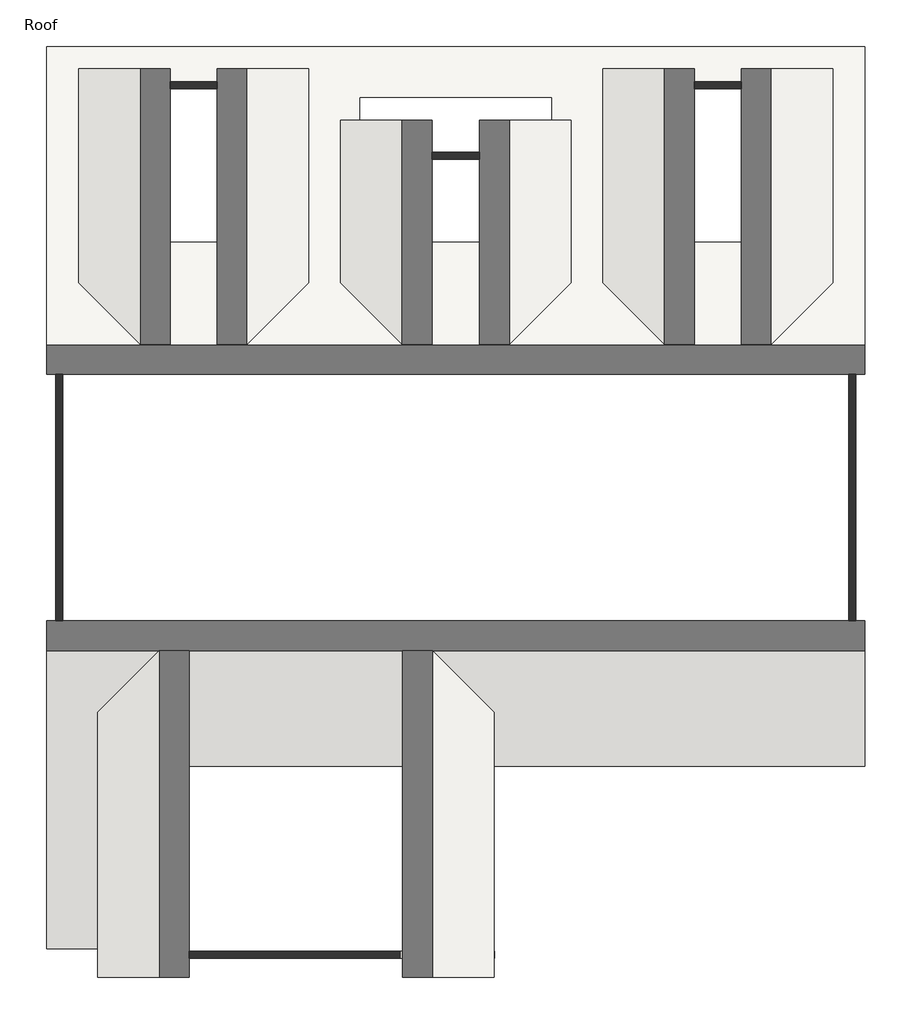
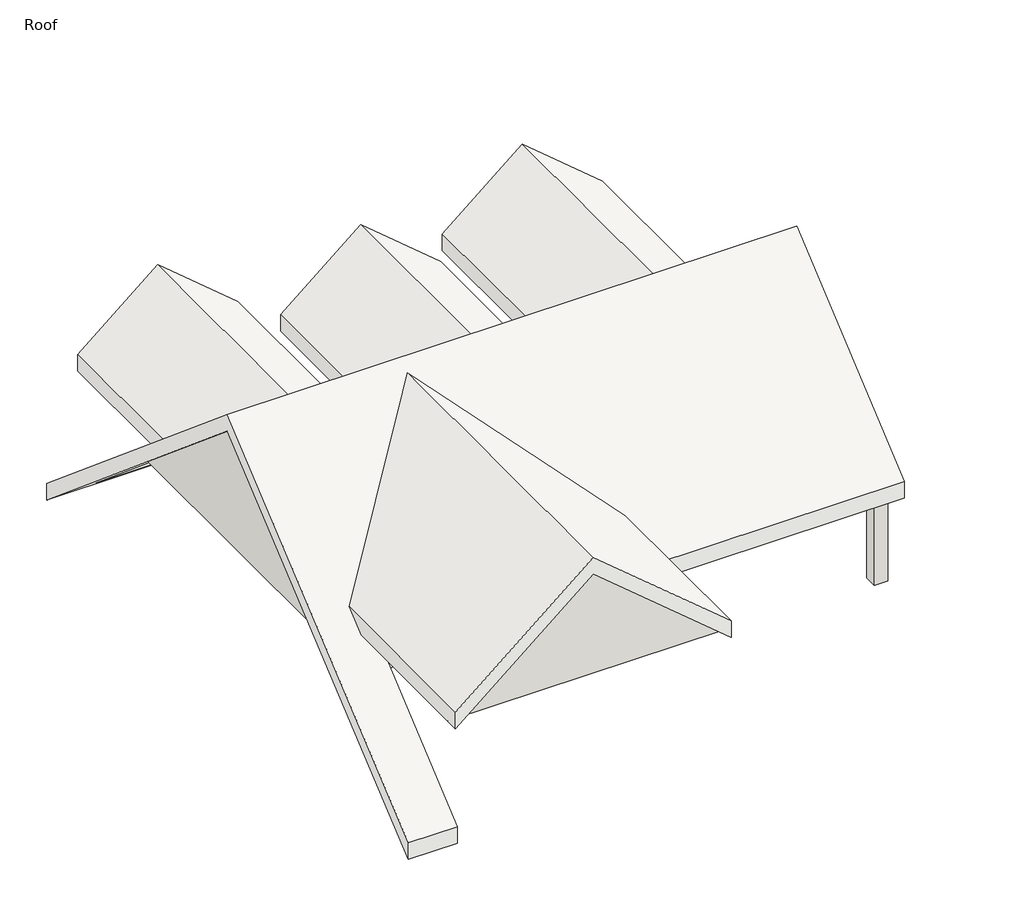
# One storey: 7 walls, 5 roofs.
"""IFC4 building model written with IfcOpenShell, lengths in millimetres."""

from ifc_helpers import new_model, si_unit, frame, origin, place, context, project, spatial, polyline, outline, extrude, faceted_brep, element, save

model = new_model("IFC4")

# Units and contexts
model_context = context("Model", 3, world=origin())
ifc_project = project(units=[si_unit("LENGTHUNIT", "METRE", prefix="MILLI")], contexts=[model_context])

# Site, building, storey
site = spatial("IfcSite", under=ifc_project)
building = spatial("IfcBuilding", under=site)
storey = spatial("IfcBuildingStorey", under=building, Name="Roof", Elevation=5700.0)

# Roofs
placement = place(None, origin())
element("IfcRoof", 1, ObjectType="Roof 1", at=placement, inside=storey, context=model_context, shape_type="Brep", body=[
    faceted_brep([(16700.0, 5300.0, 4991.4339489), (28400.0, 5300.0, 4991.4339489), (28400.0, 5300.0, 5383.0561357), (16700.0, 5300.0, 5383.0561357), (16700.0, 2450.0, 2600.0), (16700.0, 2450.0, 2991.6221868), (28400.0, 9500.0, 8515.6523998), (15600.0, 2450.0, 2600.0), (15600.0, 9500.0, 8515.6523998), (28145.0, 9500.0, 8515.6523998), (28255.0, 9500.0, 8515.6523998), (15600.0, 16550.0, 2600.0), (28400.0, 16550.0, 2600.0), (19400.0, 13500.0, 5159.2538751), (19400.0, 16000.0000378, 3061.5047654), (16399.9999932, 16000.0000378, 3061.5047654), (16399.9999932, 13500.0, 5159.2538751), (20499.9999966, 13500.0, 5159.2538751), (23499.9999966, 13500.0, 5159.2538751), (23499.9999966, 15750.0, 3271.2797049), (20499.9999966, 15750.0, 3271.2797049), (24599.9999932, 16000.0000378, 3061.5047654), (24599.9999932, 13500.0, 5159.2538751), (27600.0, 13500.0, 5159.2538751), (27600.0, 16000.0000378, 3061.5047654), (28400.0, 9500.0, 8907.2745866), (15600.0, 9500.0, 8907.2745866), (15600.0, 2450.0, 2991.6221868), (28400.0, 16550.0, 2991.6221868), (15600.0, 16550.0, 2991.6221868), (19400.0, 16000.0000378, 3453.1269522), (19400.0, 13500.0, 5550.8760619), (16399.9999932, 13500.0, 5550.8760619), (16399.9999932, 16000.0000378, 3453.1269522), (23499.9999966, 13500.0, 5550.8760619), (20499.9999966, 13500.0, 5550.8760619), (20499.9999966, 15750.0, 3662.9018917), (23499.9999966, 15750.0, 3662.9018917), (24599.9999932, 13500.0, 5550.8760619), (24599.9999932, 16000.0000378, 3453.1269522), (27600.0, 16000.0000378, 3453.1269522), (27600.0, 13500.0, 5550.8760619)], [[[0, 1, 2, 3]], [[4, 0, 3, 5]], [[6, 1, 0, 4, 7, 8, 9, 10]], [[6, 10, 9, 8, 11, 12], [13, 14, 15, 16], [17, 18, 19, 20], [21, 22, 23, 24]], [[2, 25, 26, 27, 5, 3]], [[26, 25, 28, 29], [30, 31, 32, 33], [34, 35, 36, 37], [38, 39, 40, 41]], [[29, 28, 12, 11]], [[5, 27, 7, 4]], [[1, 6, 12, 28, 25, 2]], [[8, 7, 27, 26, 29, 11]], [[30, 14, 13, 31]], [[31, 13, 16, 32]], [[32, 16, 15, 33]], [[14, 30, 33, 15]], [[34, 18, 17, 35]], [[35, 17, 20, 36]], [[36, 20, 19, 37]], [[18, 34, 37, 19]], [[38, 22, 21, 39]], [[39, 21, 24, 40]], [[40, 24, 23, 41]], [[22, 38, 41, 23]]]),
])
element("IfcRoof", 2, ObjectType="Roof 1", at=placement, inside=storey, context=model_context, shape_type="Brep", body=[
    faceted_brep([(19498.3133662, 2000.0, 8301.3360612), (16398.1617697, 2000.0, 5700.0), (16398.1617697, 5677.718989, 5700.0), (19498.3133662, 8777.8705855, 8301.3360612), (22598.4649628, 5677.718989, 5700.0), (22598.4649628, 2000.0, 5700.0), (16398.1617697, 2000.0, 6091.6221868), (19498.3133662, 2000.0, 8692.958248), (19498.3133662, 9244.5877336, 8692.958248), (16398.1617697, 6144.436137, 6091.6221868), (22598.4649628, 2000.0, 6091.6221868), (22598.4649628, 6144.436137, 6091.6221868)], [[[0, 1, 2, 3]], [[4, 5, 0, 3]], [[6, 7, 8, 9]], [[10, 11, 8, 7]], [[4, 11, 10, 5]], [[1, 6, 9, 2]], [[10, 7, 6, 1, 0, 5]], [[9, 8, 11, 4, 3, 2]]]),
])
element("IfcRoof", 3, ObjectType="Roof 1", at=placement, inside=storey, context=model_context, shape_type="Brep", body=[
    faceted_brep([(17900.0, 16200.0, 7210.3793361), (19700.0, 16200.0, 5700.0), (19700.0, 13322.281011, 5700.0), (17900.0, 11522.281011, 7210.3793361), (16100.0, 13322.281011, 5700.0), (16100.0, 16200.0, 5700.0), (19700.0, 16200.0, 6091.6221868), (17900.0, 16200.0, 7602.0015229), (17900.0, 11055.563863, 7602.0015229), (19700.0, 12855.563863, 6091.6221868), (16100.0, 16200.0, 6091.6221868), (16100.0, 12855.563863, 6091.6221868)], [[[0, 1, 2, 3]], [[4, 5, 0, 3]], [[6, 7, 8, 9]], [[10, 11, 8, 7]], [[4, 11, 10, 5]], [[1, 6, 9, 2]], [[10, 7, 6, 1, 0, 5]], [[9, 8, 11, 4, 3, 2]]]),
])
element("IfcRoof", 4, ObjectType="Roof 1", at=placement, inside=storey, context=model_context, shape_type="Brep", body=[
    faceted_brep([(22000.0, 15400.0, 7210.3793361), (23800.0, 15400.0, 5700.0), (23800.0, 13322.281011, 5700.0), (22000.0, 11522.281011, 7210.3793361), (20200.0, 13322.281011, 5700.0), (20200.0, 15400.0, 5700.0), (23800.0, 15400.0, 6091.6221868), (22000.0, 15400.0, 7602.0015229), (22000.0, 11055.563863, 7602.0015229), (23800.0, 12855.563863, 6091.6221868), (20200.0, 15400.0, 6091.6221868), (20200.0, 12855.563863, 6091.6221868)], [[[0, 1, 2, 3]], [[4, 5, 0, 3]], [[6, 7, 8, 9]], [[10, 11, 8, 7]], [[4, 11, 10, 5]], [[1, 6, 9, 2]], [[10, 7, 6, 1, 0, 5]], [[9, 8, 11, 4, 3, 2]]]),
])
element("IfcRoof", 5, ObjectType="Roof 1", at=placement, inside=storey, context=model_context, shape_type="Brep", body=[
    faceted_brep([(26100.0, 16200.0, 7210.3793361), (27900.0, 16200.0, 5700.0), (27900.0, 13322.281011, 5700.0), (26100.0, 11522.281011, 7210.3793361), (24300.0, 13322.281011, 5700.0), (24300.0, 16200.0, 5700.0), (27900.0, 16200.0, 6091.6221868), (26100.0, 16200.0, 7602.0015229), (26100.0, 11055.563863, 7602.0015229), (27900.0, 12855.563863, 6091.6221868), (24300.0, 16200.0, 6091.6221868), (24300.0, 12855.563863, 6091.6221868)], [[[0, 1, 2, 3]], [[4, 5, 0, 3]], [[6, 7, 8, 9]], [[10, 11, 8, 7]], [[4, 11, 10, 5]], [[1, 6, 9, 2]], [[10, 7, 6, 1, 0, 5]], [[9, 8, 11, 4, 3, 2]]]),
])

# Walls
element("IfcWall", 6, ObjectType="Wall 100", at=placement, inside=storey, context=model_context, shape_type="SweptSolid", body=[
    extrude(outline(polyline([(9500.0, 8515.6523998), (12855.563863, 5700.0), (12744.436137, 5700.0), (6144.436137, 5700.0), (9500.0, 8515.6523998)])), frame((15745.0, 0.0, 0.0), z_axis=(1.0, 0.0, 0.0), x_axis=(0.0, 1.0, 0.0)), (0.0, 0.0, 1.0), 110.0),
])
element("IfcWall", 7, ObjectType="Wall 100", at=placement, inside=storey, context=model_context, shape_type="SweptSolid", body=[
    extrude(outline(polyline([(9500.0, 8515.6523998), (12855.563863, 5700.0), (6144.436137, 5700.0), (9500.0, 8515.6523998)])), frame((28145.0, 0.0, 0.0), z_axis=(1.0, 0.0, 0.0), x_axis=(0.0, 1.0, 0.0)), (0.0, 0.0, 1.0), 110.0),
])
element("IfcWall", 8, ObjectType="Wall 100", at=placement, inside=storey, context=model_context, shape_type="SweptSolid", body=[
    extrude(outline(polyline([(5700.0, 16399.9999932), (5700.0, 22605.0), (8271.1504387, 19464.1777656), (5700.0, 16399.9999932)])), frame((0.0, 2300.0, 0.0), z_axis=(0.0, 1.0, 0.0), x_axis=(0.0, 0.0, 1.0)), (0.0, 0.0, 1.0), 110.0),
])
element("IfcWall", 9, ObjectType="Wall 100", at=placement, inside=storey, context=model_context, shape_type="SweptSolid", body=[
    extrude(outline(polyline([(5700.0, 16399.9999932), (5700.0, 19399.9999932), (5951.7298951, 19399.9999932), (7210.3793361, 17900.0), (5951.7298836, 16399.9999932), (5700.0, 16399.9999932)])), frame((0.0, 15890.0000378, 0.0), z_axis=(0.0, 1.0, 0.0), x_axis=(0.0, 0.0, 1.0)), (0.0, 0.0, 1.0), 110.0),
])
element("IfcWall", 10, ObjectType="Wall 100", at=placement, inside=storey, context=model_context, shape_type="SweptSolid", body=[
    extrude(outline(polyline([(5700.0, 20499.9999966), (5700.0, 23499.9999966), (5951.7298922, 23499.9999966), (7210.3793361, 22000.0), (5951.7298865, 20499.9999966), (5700.0, 20499.9999966)])), frame((0.0, 14790.0000189, 0.0), z_axis=(0.0, 1.0, 0.0), x_axis=(0.0, 0.0, 1.0)), (0.0, 0.0, 1.0), 110.0),
])
element("IfcWall", 11, ObjectType="Wall 100", at=placement, inside=storey, context=model_context, shape_type="SweptSolid", body=[
    extrude(outline(polyline([(5700.0, 24599.9999932), (5700.0, 27600.0), (5951.7298894, 27600.0), (7210.3793361, 26100.0), (5951.7298836, 24599.9999932), (5700.0, 24599.9999932)])), frame((0.0, 15890.0000378, 0.0), z_axis=(0.0, 1.0, 0.0), x_axis=(0.0, 0.0, 1.0)), (0.0, 0.0, 1.0), 110.0),
])
element("IfcWall", 12, ObjectType="Wall 300", at=placement, inside=storey, context=model_context, shape_type="SweptSolid", body=[
    extrude(outline(polyline([(27900.0, 5600.0), (27900.0, 5900.0), (28200.0, 5900.0), (28200.0, 5600.0), (27900.0, 5600.0)])), frame((0.0, 0.0, 2900.0), z_axis=(0.0, 0.0, 1.0), x_axis=(1.0, 0.0, 0.0)), (0.0, 0.0, 1.0), 2628.3023717),
])

save(model, "model.ifc")
